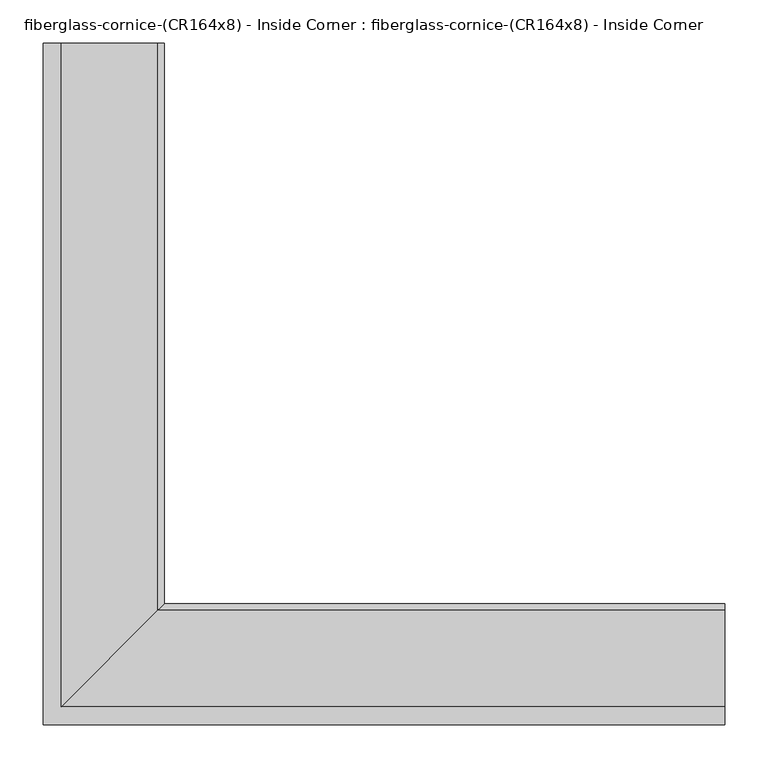
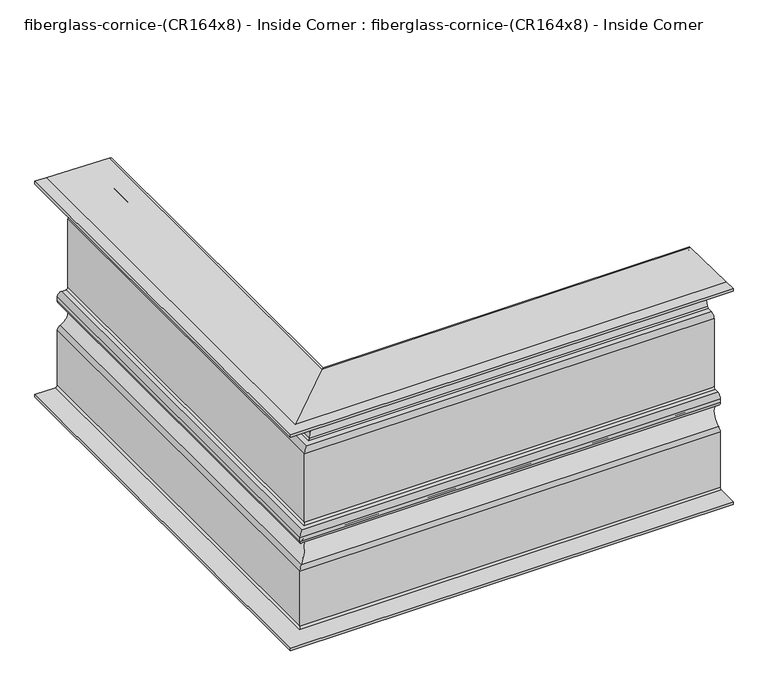
"""IFC4 building model written with IfcOpenShell, lengths in millimetres: furniture geometry, fiberglass-cornice-(CR164x8) - Inside Corner : fiberglass-cornice-(CR164x8) - Inside Corner."""

from ifc_helpers import new_model, si_unit, frame, origin, place, context, project, spatial, polyline, circle_curve, ellipse_curve, source, transform, mapped, element, save
from ifc_brep_helpers import plane_surface, cylinder_surface, revolved_surface, advanced_brep


def fiberglass_cornice_cr164x8_inside_corner_fiberglass_cornice_1a1fa2d7(model_context):
    return source(origin(), model_context, "Body", "AdvancedBrep", [
        advanced_brep(
        [(-372.85953, 888.603125, 330.1999904), (-261.73453, 888.603125, 327.3575667), (-253.9999938, 888.603125, 319.422662), (-253.9999938, 888.603125, 309.7707122), (-261.9374938, 888.603125, 301.8332122), (-279.3999938, 888.603125, 301.8332122), (-279.3999938, 888.603125, 292.3082122), (-295.2749938, 888.603125, 266.9082122), (-310.1676354, 888.603125, 247.415911), (-317.8412143, 888.603125, 241.5082122), (-327.0249938, 888.603125, 241.5082122), (-330.1999938, 888.603125, 238.3332122), (-330.1999938, 888.603125, 109.7457122), (-338.1374938, 888.603125, 101.8082122), (-346.0749938, 888.603125, 101.8082122), (-349.2499938, 888.603125, 98.6332122), (-349.2499938, 888.603125, 91.4209842), (-347.169605, 888.603125, 88.44064), (-347.169605, 888.603125, 38.9757844), (-349.2499938, 888.603125, 35.9954402), (-349.2499938, 888.603125, -68.0542878), (-357.1874938, 888.603125, -75.9917878), (-393.6999938, 888.603125, -75.9917878), (-393.6999938, 888.603125, -71.2292878), (-357.1874938, 888.603125, -71.2292878), (-354.0124938, 888.603125, -68.0542878), (-354.0124938, 888.603125, 35.9954402), (-348.8115218, 888.603125, 43.4463007), (-348.8115218, 888.603125, 83.9701238), (-354.0124938, 888.603125, 91.4209842), (-354.0124938, 888.603125, 98.6332122), (-346.0749938, 888.603125, 106.5707122), (-338.1374938, 888.603125, 106.5707122), (-334.9624938, 888.603125, 109.7457122), (-334.9624938, 888.603125, 238.3332122), (-327.0249938, 888.603125, 246.2707122), (-317.8412143, 888.603125, 246.2707122), (-314.7717827, 888.603125, 248.6337917), (-297.6601898, 888.603125, 271.0303775), (-285.901633, 888.603125, 304.3559613), (-283.6618821, 888.603125, 306.5957122), (-261.9374938, 888.603125, 306.5957122), (-258.7624938, 888.603125, 309.7707122), (-258.7624938, 888.603125, 319.422662), (-261.8563083, 888.603125, 322.5966239), (-372.9813083, 888.603125, 325.4390476), (-393.6999938, 888.603125, 325.4390476), (-393.6999938, 888.603125, 330.1999904), (393.6999938, 122.0435889, 330.1999904), (393.6999938, 101.203125, 330.1999904), (393.6999938, 101.203125, 325.4390476), (393.6999938, 121.9218106, 325.4390476), (393.6999938, 233.0468106, 322.5966239), (393.6999938, 236.140625, 319.422662), (393.6999938, 236.140625, 309.7707122), (393.6999938, 232.965625, 306.5957122), (393.6999938, 211.2412367, 306.5957122), (393.6999938, 209.0014858, 304.3559613), (393.6999938, 197.242929, 271.0303775), (393.6999938, 180.1313361, 248.6337917), (393.6999938, 177.0619046, 246.2707122), (393.6999938, 167.878125, 246.2707122), (393.6999938, 159.940625, 238.3332122), (393.6999938, 159.940625, 109.7457122), (393.6999938, 156.765625, 106.5707122), (393.6999938, 148.828125, 106.5707122), (393.6999938, 140.890625, 98.6332122), (393.6999938, 140.890625, 91.4209842), (393.6999938, 146.091597, 83.9701238), (393.6999938, 146.091597, 43.4463007), (393.6999938, 140.890625, 35.9954402), (393.6999938, 140.890625, -68.0542878), (393.6999938, 137.715625, -71.2292878), (393.6999938, 101.203125, -71.2292878), (393.6999938, 101.203125, -75.9917878), (393.6999938, 137.715625, -75.9917878), (393.6999938, 145.653125, -68.0542878), (393.6999938, 145.653125, 35.9954402), (393.6999938, 147.7335138, 38.9757844), (393.6999938, 147.7335138, 88.44064), (393.6999938, 145.653125, 91.4209842), (393.6999938, 145.653125, 98.6332122), (393.6999938, 148.828125, 101.8082122), (393.6999938, 156.765625, 101.8082122), (393.6999938, 164.703125, 109.7457122), (393.6999938, 164.703125, 238.3332122), (393.6999938, 167.878125, 241.5082122), (393.6999938, 177.0619046, 241.5082122), (393.6999938, 184.7354835, 247.415911), (393.6999938, 199.628125, 266.9082122), (393.6999938, 215.503125, 292.3082122), (393.6999938, 215.503125, 301.8332122), (393.6999938, 232.965625, 301.8332122), (393.6999938, 240.903125, 309.7707122), (393.6999938, 240.903125, 319.422662), (393.6999938, 233.1685889, 327.3575667), (-372.85953, 122.0435889, 330.1999904), (-261.73453, 233.1685889, 327.3575667), (-253.9999938, 240.903125, 319.422662), (-253.9999938, 240.903125, 309.7707122), (-261.9374938, 232.965625, 301.8332122), (-279.3999938, 215.503125, 301.8332122), (-279.3999938, 215.503125, 292.3082122), (-295.2749938, 199.628125, 266.9082122), (-310.1676354, 184.7354835, 247.415911), (-317.8412143, 177.0619046, 241.5082122), (-327.0249938, 167.878125, 241.5082122), (-330.1999938, 164.703125, 238.3332122), (-330.1999938, 164.703125, 109.7457122), (-338.1374938, 156.765625, 101.8082122), (-346.0749938, 148.828125, 101.8082122), (-349.2499938, 145.653125, 98.6332122), (-349.2499938, 145.653125, 91.4209842), (-347.169605, 147.7335138, 88.44064), (-347.169605, 147.7335138, 38.9757844), (-349.2499938, 145.653125, 35.9954402), (-349.2499938, 145.653125, -68.0542878), (-357.1874938, 137.715625, -75.9917878), (-393.6999938, 101.203125, -75.9917878), (-393.6999938, 101.203125, -71.2292878), (-357.1874938, 137.715625, -71.2292878), (-354.0124938, 140.890625, -68.0542878), (-354.0124938, 140.890625, 35.9954402), (-348.8115218, 146.091597, 43.4463007), (-348.8115218, 146.091597, 83.9701238), (-354.0124938, 140.890625, 91.4209842), (-354.0124938, 140.890625, 98.6332122), (-346.0749938, 148.828125, 106.5707122), (-338.1374938, 156.765625, 106.5707122), (-334.9624938, 159.940625, 109.7457122), (-334.9624938, 159.940625, 238.3332122), (-327.0249938, 167.878125, 246.2707122), (-317.8412143, 177.0619046, 246.2707122), (-314.7717827, 180.1313361, 248.6337917), (-297.6601898, 197.242929, 271.0303775), (-285.901633, 209.0014858, 304.3559613), (-283.6618821, 211.2412367, 306.5957122), (-261.9374938, 232.965625, 306.5957122), (-258.7624938, 236.140625, 309.7707122), (-258.7624938, 236.140625, 319.422662), (-261.8563083, 233.0468106, 322.5966239), (-372.9813083, 121.9218106, 325.4390476), (-393.6999938, 101.203125, 325.4390476), (-393.6999938, 101.203125, 330.1999904)],
        [
            (0, 1),
            (1, 2, circle_curve(frame((-261.9374938, 888.603125, 319.422662), z_axis=(0.0, 1.0, 0.0), x_axis=(1.0, 0.0, 0.0)), 7.9375)),
            (2, 3),
            (3, 4, circle_curve(frame((-261.9374938, 888.603125, 309.7707122), z_axis=(0.0, 1.0, 0.0), x_axis=(1.0, 0.0, 0.0)), 7.9375)),
            (4, 5),
            (5, 6, circle_curve(frame((-279.3999938, 888.603125, 297.0707122), z_axis=(0.0, 1.0, 0.0), x_axis=(1.0, 0.0, 0.0)), 4.7625)),
            (6, 7, circle_curve(frame((-311.2833971, 888.603125, 294.5744018), z_axis=(0.0, 1.0, 0.0), x_axis=(1.0, 0.0, 0.0)), 31.9638393)),
            (7, 8, circle_curve(frame((-279.2665906, 888.603125, 239.2420227), z_axis=(0.0, -1.0, 0.0), x_axis=(1.0, 0.0, 0.0)), 31.9638393)),
            (8, 9, circle_curve(frame((-317.8412143, 888.603125, 249.4457122), z_axis=(0.0, 1.0, 0.0), x_axis=(1.0, 0.0, 0.0)), 7.9375)),
            (9, 10),
            (10, 11, circle_curve(frame((-327.0249938, 888.603125, 238.3332122), z_axis=(0.0, -1.0, 0.0), x_axis=(1.0, 0.0, 0.0)), 3.175)),
            (11, 12),
            (12, 13, circle_curve(frame((-338.1374938, 888.603125, 109.7457122), z_axis=(0.0, 1.0, 0.0), x_axis=(1.0, 0.0, 0.0)), 7.9375)),
            (13, 14),
            (14, 15, circle_curve(frame((-346.0749938, 888.603125, 98.6332122), z_axis=(0.0, -1.0, 0.0), x_axis=(1.0, 0.0, 0.0)), 3.175)),
            (15, 16),
            (16, 17, circle_curve(frame((-346.0749938, 888.603125, 91.4209842), z_axis=(0.0, -1.0, 0.0), x_axis=(1.0, 0.0, 0.0)), 3.175)),
            (17, 18, circle_curve(frame((-356.2532512, 888.603125, 63.7082122), z_axis=(0.0, 1.0, 0.0), x_axis=(1.0, 0.0, 0.0)), 26.347782)),
            (18, 19, circle_curve(frame((-346.0749938, 888.603125, 35.9954402), z_axis=(0.0, -1.0, 0.0), x_axis=(1.0, 0.0, 0.0)), 3.175)),
            (19, 20),
            (20, 21, circle_curve(frame((-357.1874938, 888.603125, -68.0542878), z_axis=(0.0, 1.0, 0.0), x_axis=(1.0, 0.0, 0.0)), 7.9375)),
            (21, 22),
            (22, 23),
            (23, 24),
            (24, 25, circle_curve(frame((-357.1874938, 888.603125, -68.0542878), z_axis=(0.0, -1.0, 0.0), x_axis=(1.0, 0.0, 0.0)), 3.175)),
            (25, 26),
            (26, 27, circle_curve(frame((-346.0749938, 888.603125, 35.9954402), z_axis=(0.0, 1.0, 0.0), x_axis=(1.0, 0.0, 0.0)), 7.9375)),
            (27, 28, circle_curve(frame((-356.2532512, 888.603125, 63.7082122), z_axis=(0.0, -1.0, 0.0), x_axis=(1.0, 0.0, 0.0)), 21.585282)),
            (28, 29, circle_curve(frame((-346.0749938, 888.603125, 91.4209842), z_axis=(0.0, 1.0, 0.0), x_axis=(1.0, 0.0, 0.0)), 7.9375)),
            (29, 30),
            (30, 31, circle_curve(frame((-346.0749938, 888.603125, 98.6332122), z_axis=(0.0, 1.0, 0.0), x_axis=(1.0, 0.0, 0.0)), 7.9375)),
            (31, 32),
            (32, 33, circle_curve(frame((-338.1374938, 888.603125, 109.7457122), z_axis=(0.0, -1.0, 0.0), x_axis=(1.0, 0.0, 0.0)), 3.175)),
            (33, 34),
            (34, 35, circle_curve(frame((-327.0249938, 888.603125, 238.3332122), z_axis=(0.0, 1.0, 0.0), x_axis=(1.0, 0.0, 0.0)), 7.9375)),
            (35, 36),
            (36, 37, circle_curve(frame((-317.8412143, 888.603125, 249.4457122), z_axis=(0.0, -1.0, 0.0), x_axis=(1.0, 0.0, 0.0)), 3.175)),
            (37, 38, circle_curve(frame((-279.2665906, 888.603125, 239.2420227), z_axis=(0.0, 1.0, 0.0), x_axis=(1.0, 0.0, 0.0)), 36.7263393)),
            (38, 39, circle_curve(frame((-311.2833971, 888.603125, 294.5744018), z_axis=(0.0, -1.0, 0.0), x_axis=(1.0, 0.0, 0.0)), 27.2013393)),
            (39, 40, circle_curve(frame((-283.6618821, 888.603125, 304.3559613), z_axis=(0.0, 1.0, 0.0), x_axis=(1.0, 0.0, 0.0)), 2.2397509)),
            (40, 41),
            (41, 42, circle_curve(frame((-261.9374938, 888.603125, 309.7707122), z_axis=(0.0, -1.0, 0.0), x_axis=(1.0, 0.0, 0.0)), 3.175)),
            (42, 43),
            (43, 44, circle_curve(frame((-261.9374938, 888.603125, 319.422662), z_axis=(0.0, -1.0, 0.0), x_axis=(1.0, 0.0, 0.0)), 3.175)),
            (44, 45),
            (45, 46),
            (46, 47),
            (47, 0),
            (48, 49),
            (49, 50),
            (50, 51),
            (51, 52),
            (52, 53, circle_curve(frame((393.6999938, 232.965625, 319.422662), z_axis=(-1.0, 0.0, 0.0), x_axis=(0.0, 1.0, 0.0)), 3.175)),
            (53, 54),
            (54, 55, circle_curve(frame((393.6999938, 232.965625, 309.7707122), z_axis=(-1.0, 0.0, 0.0), x_axis=(0.0, 1.0, 0.0)), 3.175)),
            (55, 56),
            (56, 57, circle_curve(frame((393.6999938, 211.2412367, 304.3559613), z_axis=(1.0, 0.0, 0.0), x_axis=(0.0, 1.0, 0.0)), 2.2397509)),
            (57, 58, circle_curve(frame((393.6999938, 183.6197217, 294.5744018), z_axis=(-1.0, 0.0, 0.0), x_axis=(0.0, 1.0, 0.0)), 27.2013393)),
            (58, 59, circle_curve(frame((393.6999938, 215.6365283, 239.2420227), z_axis=(1.0, 0.0, 0.0), x_axis=(0.0, 1.0, 0.0)), 36.7263393)),
            (59, 60, circle_curve(frame((393.6999938, 177.0619046, 249.4457122), z_axis=(-1.0, 0.0, 0.0), x_axis=(0.0, 1.0, 0.0)), 3.175)),
            (60, 61),
            (61, 62, circle_curve(frame((393.6999938, 167.878125, 238.3332122), z_axis=(1.0, 0.0, 0.0), x_axis=(0.0, 1.0, 0.0)), 7.9375)),
            (62, 63),
            (63, 64, circle_curve(frame((393.6999938, 156.765625, 109.7457122), z_axis=(-1.0, 0.0, 0.0), x_axis=(0.0, 1.0, 0.0)), 3.175)),
            (64, 65),
            (65, 66, circle_curve(frame((393.6999938, 148.828125, 98.6332122), z_axis=(1.0, 0.0, 0.0), x_axis=(0.0, 1.0, 0.0)), 7.9375)),
            (66, 67),
            (67, 68, circle_curve(frame((393.6999938, 148.828125, 91.4209842), z_axis=(1.0, 0.0, 0.0), x_axis=(0.0, 1.0, 0.0)), 7.9375)),
            (68, 69, circle_curve(frame((393.6999938, 138.6498676, 63.7082122), z_axis=(-1.0, 0.0, 0.0), x_axis=(0.0, 1.0, 0.0)), 21.585282)),
            (69, 70, circle_curve(frame((393.6999938, 148.828125, 35.9954402), z_axis=(1.0, 0.0, 0.0), x_axis=(0.0, 1.0, 0.0)), 7.9375)),
            (70, 71),
            (71, 72, circle_curve(frame((393.6999938, 137.715625, -68.0542878), z_axis=(-1.0, 0.0, 0.0), x_axis=(0.0, 1.0, 0.0)), 3.175)),
            (72, 73),
            (73, 74),
            (74, 75),
            (75, 76, circle_curve(frame((393.6999938, 137.715625, -68.0542878), z_axis=(1.0, 0.0, 0.0), x_axis=(0.0, 1.0, 0.0)), 7.9375)),
            (76, 77),
            (77, 78, circle_curve(frame((393.6999938, 148.828125, 35.9954402), z_axis=(-1.0, 0.0, 0.0), x_axis=(0.0, 1.0, 0.0)), 3.175)),
            (78, 79, circle_curve(frame((393.6999938, 138.6498676, 63.7082122), z_axis=(1.0, 0.0, 0.0), x_axis=(0.0, 1.0, 0.0)), 26.347782)),
            (79, 80, circle_curve(frame((393.6999938, 148.828125, 91.4209842), z_axis=(-1.0, 0.0, 0.0), x_axis=(0.0, 1.0, 0.0)), 3.175)),
            (80, 81),
            (81, 82, circle_curve(frame((393.6999938, 148.828125, 98.6332122), z_axis=(-1.0, 0.0, 0.0), x_axis=(0.0, 1.0, 0.0)), 3.175)),
            (82, 83),
            (83, 84, circle_curve(frame((393.6999938, 156.765625, 109.7457122), z_axis=(1.0, 0.0, 0.0), x_axis=(0.0, 1.0, 0.0)), 7.9375)),
            (84, 85),
            (85, 86, circle_curve(frame((393.6999938, 167.878125, 238.3332122), z_axis=(-1.0, 0.0, 0.0), x_axis=(0.0, 1.0, 0.0)), 3.175)),
            (86, 87),
            (87, 88, circle_curve(frame((393.6999938, 177.0619046, 249.4457122), z_axis=(1.0, 0.0, 0.0), x_axis=(0.0, 1.0, 0.0)), 7.9375)),
            (88, 89, circle_curve(frame((393.6999938, 215.6365283, 239.2420227), z_axis=(-1.0, 0.0, 0.0), x_axis=(0.0, 1.0, 0.0)), 31.9638393)),
            (89, 90, circle_curve(frame((393.6999938, 183.6197217, 294.5744018), z_axis=(1.0, 0.0, 0.0), x_axis=(0.0, 1.0, 0.0)), 31.9638393)),
            (90, 91, circle_curve(frame((393.6999938, 215.503125, 297.0707122), z_axis=(1.0, 0.0, 0.0), x_axis=(0.0, 1.0, 0.0)), 4.7625)),
            (91, 92),
            (92, 93, circle_curve(frame((393.6999938, 232.965625, 309.7707122), z_axis=(1.0, 0.0, 0.0), x_axis=(0.0, 1.0, 0.0)), 7.9375)),
            (93, 94),
            (94, 95, circle_curve(frame((393.6999938, 232.965625, 319.422662), z_axis=(1.0, 0.0, 0.0), x_axis=(0.0, 1.0, 0.0)), 7.9375)),
            (95, 48),
            (0, 96),
            (96, 97),
            (97, 1),
            (97, 98, ellipse_curve(frame((-261.9374938, 232.965625, 319.422662), z_axis=(-0.7071067811865475, 0.7071067811865475, 0.0), x_axis=(0.7071067811865474, 0.7071067811865476, 0.0)), 11.2253202, 7.9375)),
            (98, 2),
            (98, 99),
            (99, 3),
            (99, 100, ellipse_curve(frame((-261.9374938, 232.965625, 309.7707122), z_axis=(-0.7071067811865475, 0.7071067811865475, 0.0), x_axis=(0.7071067811865474, 0.7071067811865476, 0.0)), 11.2253202, 7.9375)),
            (100, 4),
            (100, 92),
            (91, 101),
            (101, 5),
            (101, 102, ellipse_curve(frame((-279.3999938, 215.503125, 297.0707122), z_axis=(-0.7071067811865475, 0.7071067811865475, 0.0), x_axis=(0.7071067811865474, 0.7071067811865476, 0.0)), 6.7351921, 4.7625)),
            (102, 6),
            (102, 103, ellipse_curve(frame((-311.2833971, 183.6197217, 294.5744018), z_axis=(-0.7071067811865475, 0.7071067811865475, 0.0), x_axis=(0.7071067811865474, 0.7071067811865476, 0.0)), 45.203695, 31.9638393)),
            (103, 7),
            (103, 104, ellipse_curve(frame((-279.2665906, 215.6365283, 239.2420227), z_axis=(0.7071067811865475, -0.7071067811865475, 0.0), x_axis=(-0.7071067811865474, -0.7071067811865476, 0.0)), 45.203695, 31.9638393)),
            (104, 8),
            (104, 105, ellipse_curve(frame((-317.8412143, 177.0619046, 249.4457122), z_axis=(-0.7071067811865475, 0.7071067811865475, 0.0), x_axis=(0.7071067811865474, 0.7071067811865476, 0.0)), 11.2253202, 7.9375)),
            (105, 9),
            (105, 87),
            (86, 106),
            (106, 10),
            (106, 107, ellipse_curve(frame((-327.0249938, 167.878125, 238.3332122), z_axis=(0.7071067811865475, -0.7071067811865475, 0.0), x_axis=(-0.7071067811865474, -0.7071067811865476, 0.0)), 4.4901281, 3.175)),
            (107, 11),
            (107, 108),
            (108, 12),
            (108, 109, ellipse_curve(frame((-338.1374938, 156.765625, 109.7457122), z_axis=(-0.7071067811865475, 0.7071067811865475, 0.0), x_axis=(0.7071067811865474, 0.7071067811865476, 0.0)), 11.2253202, 7.9375)),
            (109, 13),
            (109, 83),
            (82, 110),
            (110, 14),
            (110, 111, ellipse_curve(frame((-346.0749938, 148.828125, 98.6332122), z_axis=(0.7071067811865475, -0.7071067811865475, 0.0), x_axis=(-0.7071067811865474, -0.7071067811865476, 0.0)), 4.4901281, 3.175)),
            (111, 15),
            (111, 112),
            (112, 16),
            (112, 113, ellipse_curve(frame((-346.0749938, 148.828125, 91.4209842), z_axis=(0.7071067811865475, -0.7071067811865475, 0.0), x_axis=(-0.7071067811865474, -0.7071067811865476, 0.0)), 4.4901281, 3.175)),
            (113, 17),
            (113, 114, ellipse_curve(frame((-356.2532512, 138.6498676, 63.7082122), z_axis=(-0.7071067811865475, 0.7071067811865475, 0.0), x_axis=(0.7071067811865474, 0.7071067811865476, 0.0)), 37.2613906, 26.347782)),
            (114, 18),
            (114, 115, ellipse_curve(frame((-346.0749938, 148.828125, 35.9954402), z_axis=(0.7071067811865475, -0.7071067811865475, 0.0), x_axis=(-0.7071067811865474, -0.7071067811865476, 0.0)), 4.4901281, 3.175)),
            (115, 19),
            (115, 116),
            (116, 20),
            (116, 117, ellipse_curve(frame((-357.1874938, 137.715625, -68.0542878), z_axis=(-0.7071067811865475, 0.7071067811865475, 0.0), x_axis=(0.7071067811865474, 0.7071067811865476, 0.0)), 11.2253202, 7.9375)),
            (117, 21),
            (117, 75),
            (74, 118),
            (118, 22),
            (118, 119),
            (119, 23),
            (119, 73),
            (72, 120),
            (120, 24),
            (120, 121, ellipse_curve(frame((-357.1874938, 137.715625, -68.0542878), z_axis=(0.7071067811865475, -0.7071067811865475, 0.0), x_axis=(-0.7071067811865474, -0.7071067811865476, 0.0)), 4.4901281, 3.175)),
            (121, 25),
            (121, 122),
            (122, 26),
            (122, 123, ellipse_curve(frame((-346.0749938, 148.828125, 35.9954402), z_axis=(-0.7071067811865475, 0.7071067811865475, 0.0), x_axis=(0.7071067811865474, 0.7071067811865476, 0.0)), 11.2253202, 7.9375)),
            (123, 27),
            (123, 124, ellipse_curve(frame((-356.2532512, 138.6498676, 63.7082122), z_axis=(0.7071067811865475, -0.7071067811865475, 0.0), x_axis=(-0.7071067811865474, -0.7071067811865476, 0.0)), 30.5261985, 21.585282)),
            (124, 28),
            (124, 125, ellipse_curve(frame((-346.0749938, 148.828125, 91.4209842), z_axis=(-0.7071067811865475, 0.7071067811865475, 0.0), x_axis=(0.7071067811865474, 0.7071067811865476, 0.0)), 11.2253202, 7.9375)),
            (125, 29),
            (125, 126),
            (126, 30),
            (126, 127, ellipse_curve(frame((-346.0749938, 148.828125, 98.6332122), z_axis=(-0.7071067811865475, 0.7071067811865475, 0.0), x_axis=(0.7071067811865474, 0.7071067811865476, 0.0)), 11.2253202, 7.9375)),
            (127, 31),
            (127, 65),
            (64, 128),
            (128, 32),
            (128, 129, ellipse_curve(frame((-338.1374938, 156.765625, 109.7457122), z_axis=(0.7071067811865475, -0.7071067811865475, 0.0), x_axis=(-0.7071067811865474, -0.7071067811865476, 0.0)), 4.4901281, 3.175)),
            (129, 33),
            (129, 130),
            (130, 34),
            (130, 131, ellipse_curve(frame((-327.0249938, 167.878125, 238.3332122), z_axis=(-0.7071067811865475, 0.7071067811865475, 0.0), x_axis=(0.7071067811865474, 0.7071067811865476, 0.0)), 11.2253202, 7.9375)),
            (131, 35),
            (131, 61),
            (60, 132),
            (132, 36),
            (132, 133, ellipse_curve(frame((-317.8412143, 177.0619046, 249.4457122), z_axis=(0.7071067811865475, -0.7071067811865475, 0.0), x_axis=(-0.7071067811865474, -0.7071067811865476, 0.0)), 4.4901281, 3.175)),
            (133, 37),
            (133, 134, ellipse_curve(frame((-279.2665906, 215.6365283, 239.2420227), z_axis=(-0.7071067811865475, 0.7071067811865475, 0.0), x_axis=(0.7071067811865474, 0.7071067811865476, 0.0)), 51.9388871, 36.7263393)),
            (134, 38),
            (134, 135, ellipse_curve(frame((-311.2833971, 183.6197217, 294.5744018), z_axis=(0.7071067811865475, -0.7071067811865475, 0.0), x_axis=(-0.7071067811865474, -0.7071067811865476, 0.0)), 38.4685029, 27.2013393)),
            (135, 39),
            (135, 136, ellipse_curve(frame((-283.6618821, 211.2412367, 304.3559613), z_axis=(-0.7071067811865475, 0.7071067811865475, 0.0), x_axis=(0.7071067811865474, 0.7071067811865476, 0.0)), 3.1674861, 2.2397509)),
            (136, 40),
            (136, 56),
            (55, 137),
            (137, 41),
            (137, 138, ellipse_curve(frame((-261.9374938, 232.965625, 309.7707122), z_axis=(0.7071067811865475, -0.7071067811865475, 0.0), x_axis=(-0.7071067811865474, -0.7071067811865476, 0.0)), 4.4901281, 3.175)),
            (138, 42),
            (138, 139),
            (139, 43),
            (139, 140, ellipse_curve(frame((-261.9374938, 232.965625, 319.422662), z_axis=(0.7071067811865475, -0.7071067811865475, 0.0), x_axis=(-0.7071067811865474, -0.7071067811865476, 0.0)), 4.4901281, 3.175)),
            (140, 44),
            (140, 141),
            (141, 45),
            (141, 51),
            (50, 142),
            (142, 46),
            (142, 143),
            (143, 47),
            (143, 49),
            (48, 96),
            (95, 97),
            (94, 98),
            (93, 99),
            (90, 102),
            (89, 103),
            (88, 104),
            (85, 107),
            (84, 108),
            (81, 111),
            (80, 112),
            (79, 113),
            (78, 114),
            (77, 115),
            (76, 116),
            (71, 121),
            (70, 122),
            (69, 123),
            (68, 124),
            (67, 125),
            (66, 126),
            (63, 129),
            (62, 130),
            (59, 133),
            (58, 134),
            (57, 135),
            (54, 138),
            (53, 139),
            (52, 140),
        ],
        [
            plane_surface(frame((-393.6999938, 888.603125, 330.1999904), z_axis=(0.0, 1.0, 0.0), x_axis=(0.0, 0.0, 1.0))),
            plane_surface(frame((393.6999938, 101.203125, 330.1999904), z_axis=(1.0, 0.0, 0.0), x_axis=(0.0, 0.0, 1.0))),
            plane_surface(frame((-372.85953, 888.603125, 330.1999904), z_axis=(0.02557025298395514, 0.0, 0.9996730276257015), x_axis=(0.0, -1.0, 0.0))),
            cylinder_surface(frame((-261.9374938, 888.603125, 319.422662), z_axis=(0.0, 1.0, 0.0), x_axis=(1.0, 0.0, 0.0)), 7.9375),
            plane_surface(frame((-253.9999938, 888.603125, 319.422662), z_axis=(1.0, 0.0, 0.0), x_axis=(0.0, -1.0, 0.0))),
            cylinder_surface(frame((-261.9374938, 888.603125, 309.7707122), z_axis=(0.0, 1.0, 0.0), x_axis=(1.0, 0.0, 0.0)), 7.9375),
            plane_surface(frame((-261.9374938, 888.603125, 301.8332122), z_axis=(0.0, 0.0, -1.0), x_axis=(0.0, -1.0, 0.0))),
            cylinder_surface(frame((-279.3999938, 888.603125, 297.0707122), z_axis=(0.0, 1.0, 0.0), x_axis=(1.0, 0.0, 0.0)), 4.7625),
            cylinder_surface(frame((-311.2833971, 888.603125, 294.5744018), z_axis=(0.0, 1.0, 0.0), x_axis=(1.0, 0.0, 0.0)), 31.9638393),
            revolved_surface(polyline([(-247.30275129999998, 183.67268903081163, 239.2420227), (-247.30275129999998, 888.603125, 239.2420227)]), (-279.2665906, 888.603125, 239.2420227), (0.0, -1.0, 0.0)),
            cylinder_surface(frame((-317.8412143, 888.603125, 249.4457122), z_axis=(0.0, 1.0, 0.0), x_axis=(1.0, 0.0, 0.0)), 7.9375),
            plane_surface(frame((-317.8412143, 888.603125, 241.5082122), z_axis=(0.0, 0.0, -1.0), x_axis=(0.0, -1.0, 0.0))),
            revolved_surface(polyline([(-323.8499938, 164.70312497209375, 238.3332122), (-323.8499938, 888.603125, 238.3332122)]), (-327.0249938, 888.603125, 238.3332122), (0.0, -1.0, 0.0)),
            plane_surface(frame((-330.1999938, 888.603125, 238.3332122), z_axis=(1.0, 0.0, 0.0), x_axis=(0.0, -1.0, 0.0))),
            cylinder_surface(frame((-338.1374938, 888.603125, 109.7457122), z_axis=(0.0, 1.0, 0.0), x_axis=(1.0, 0.0, 0.0)), 7.9375),
            plane_surface(frame((-338.1374938, 888.603125, 101.8082122), z_axis=(0.0, 0.0, -1.0), x_axis=(0.0, -1.0, 0.0))),
            revolved_surface(polyline([(-342.8999938, 145.65312497209368, 98.6332122), (-342.8999938, 888.603125, 98.6332122)]), (-346.0749938, 888.603125, 98.6332122), (0.0, -1.0, 0.0)),
            plane_surface(frame((-349.2499938, 888.603125, 98.6332122), z_axis=(1.0, 0.0, 0.0), x_axis=(0.0, -1.0, 0.0))),
            revolved_surface(polyline([(-342.8999938, 145.65312497209368, 91.4209842), (-342.8999938, 888.603125, 91.4209842)]), (-346.0749938, 888.603125, 91.4209842), (0.0, -1.0, 0.0)),
            cylinder_surface(frame((-356.2532512, 888.603125, 63.7082122), z_axis=(0.0, 1.0, 0.0), x_axis=(1.0, 0.0, 0.0)), 26.347782),
            revolved_surface(polyline([(-342.8999938, 145.65312497209368, 35.9954402), (-342.8999938, 888.603125, 35.9954402)]), (-346.0749938, 888.603125, 35.9954402), (0.0, -1.0, 0.0)),
            plane_surface(frame((-349.2499938, 888.603125, 35.9954402), z_axis=(1.0, 0.0, 0.0), x_axis=(0.0, -1.0, 0.0))),
            cylinder_surface(frame((-357.1874938, 888.603125, -68.0542878), z_axis=(0.0, 1.0, 0.0), x_axis=(1.0, 0.0, 0.0)), 7.9375),
            plane_surface(frame((-357.1874938, 888.603125, -75.9917878), z_axis=(0.0, 0.0, -1.0), x_axis=(0.0, -1.0, 0.0))),
            plane_surface(frame((-393.6999938, 888.603125, -75.9917878), z_axis=(-1.0, 0.0, 0.0), x_axis=(0.0, -1.0, 0.0))),
            plane_surface(frame((-393.6999938, 888.603125, -71.2292878), z_axis=(0.0, 0.0, 1.0), x_axis=(0.0, -1.0, 0.0))),
            revolved_surface(polyline([(-354.0124938, 134.5406249720936, -68.0542878), (-354.0124938, 888.603125, -68.0542878)]), (-357.1874938, 888.603125, -68.0542878), (0.0, -1.0, 0.0)),
            plane_surface(frame((-354.0124938, 888.603125, -68.0542878), z_axis=(-1.0, 0.0, 0.0), x_axis=(0.0, -1.0, 0.0))),
            cylinder_surface(frame((-346.0749938, 888.603125, 35.9954402), z_axis=(0.0, 1.0, 0.0), x_axis=(1.0, 0.0, 0.0)), 7.9375),
            revolved_surface(polyline([(-334.6679692, 117.06458563680337, 63.7082122), (-334.6679692, 888.603125, 63.7082122)]), (-356.2532512, 888.603125, 63.7082122), (0.0, -1.0, 0.0)),
            cylinder_surface(frame((-346.0749938, 888.603125, 91.4209842), z_axis=(0.0, 1.0, 0.0), x_axis=(1.0, 0.0, 0.0)), 7.9375),
            plane_surface(frame((-354.0124938, 888.603125, 91.4209842), z_axis=(-1.0, 0.0, 0.0), x_axis=(0.0, -1.0, 0.0))),
            cylinder_surface(frame((-346.0749938, 888.603125, 98.6332122), z_axis=(0.0, 1.0, 0.0), x_axis=(1.0, 0.0, 0.0)), 7.9375),
            plane_surface(frame((-346.0749938, 888.603125, 106.5707122), z_axis=(0.0, 0.0, 1.0), x_axis=(0.0, -1.0, 0.0))),
            revolved_surface(polyline([(-334.9624938, 153.59062497209368, 109.7457122), (-334.9624938, 888.603125, 109.7457122)]), (-338.1374938, 888.603125, 109.7457122), (0.0, -1.0, 0.0)),
            plane_surface(frame((-334.9624938, 888.603125, 109.7457122), z_axis=(-1.0, 0.0, 0.0), x_axis=(0.0, -1.0, 0.0))),
            cylinder_surface(frame((-327.0249938, 888.603125, 238.3332122), z_axis=(0.0, 1.0, 0.0), x_axis=(1.0, 0.0, 0.0)), 7.9375),
            plane_surface(frame((-327.0249938, 888.603125, 246.2707122), z_axis=(0.0, 0.0, 1.0), x_axis=(0.0, -1.0, 0.0))),
            revolved_surface(polyline([(-314.6662143, 173.88690457209373, 249.4457122), (-314.6662143, 888.603125, 249.4457122)]), (-317.8412143, 888.603125, 249.4457122), (0.0, -1.0, 0.0)),
            cylinder_surface(frame((-279.2665906, 888.603125, 239.2420227), z_axis=(0.0, 1.0, 0.0), x_axis=(1.0, 0.0, 0.0)), 36.7263393),
            revolved_surface(polyline([(-284.08205780000003, 156.4183824373157, 294.5744018), (-284.08205780000003, 888.603125, 294.5744018)]), (-311.2833971, 888.603125, 294.5744018), (0.0, -1.0, 0.0)),
            cylinder_surface(frame((-283.6618821, 888.603125, 304.3559613), z_axis=(0.0, 1.0, 0.0), x_axis=(1.0, 0.0, 0.0)), 2.2397509),
            plane_surface(frame((-283.6618821, 888.603125, 306.5957122), z_axis=(0.0, 0.0, 1.0), x_axis=(0.0, -1.0, 0.0))),
            revolved_surface(polyline([(-258.7624938, 229.7906249720936, 309.7707122), (-258.7624938, 888.603125, 309.7707122)]), (-261.9374938, 888.603125, 309.7707122), (0.0, -1.0, 0.0)),
            plane_surface(frame((-258.7624938, 888.603125, 309.7707122), z_axis=(-1.0, 0.0, 0.0), x_axis=(0.0, -1.0, 0.0))),
            revolved_surface(polyline([(-258.7624938, 229.7906249720936, 319.422662), (-258.7624938, 888.603125, 319.422662)]), (-261.9374938, 888.603125, 319.422662), (0.0, -1.0, 0.0)),
            plane_surface(frame((-261.8563083, 888.603125, 322.5966239), z_axis=(-0.02557025298397136, 0.0, -0.9996730276257011), x_axis=(0.0, -1.0, 0.0))),
            plane_surface(frame((-372.9813083, 888.603125, 325.4390476), z_axis=(0.0, 0.0, -1.0), x_axis=(0.0, -1.0, 0.0))),
            plane_surface(frame((-393.6999938, 888.603125, 325.4390476), z_axis=(-1.0, 0.0, 0.0), x_axis=(0.0, -1.0, 0.0))),
            plane_surface(frame((-393.6999938, 888.603125, 330.1999904), z_axis=(0.0, 0.0, 1.0), x_axis=(0.0, -1.0, 0.0))),
            plane_surface(frame((-372.85953, 122.0435889, 330.1999904), z_axis=(0.0, 0.02557025298395514, 0.9996730276257015), x_axis=(1.0, 0.0, 0.0))),
            cylinder_surface(frame((-393.6999938, 232.965625, 319.422662), z_axis=(-1.0, 0.0, 0.0), x_axis=(0.0, 1.0, 0.0)), 7.9375),
            plane_surface(frame((-253.9999938, 240.903125, 319.422662), z_axis=(0.0, 1.0, 0.0), x_axis=(1.0, 0.0, 0.0))),
            cylinder_surface(frame((-393.6999938, 232.965625, 309.7707122), z_axis=(-1.0, 0.0, 0.0), x_axis=(0.0, 1.0, 0.0)), 7.9375),
            cylinder_surface(frame((-393.6999938, 215.503125, 297.0707122), z_axis=(-1.0, 0.0, 0.0), x_axis=(0.0, 1.0, 0.0)), 4.7625),
            cylinder_surface(frame((-393.6999938, 183.6197217, 294.5744018), z_axis=(-1.0, 0.0, 0.0), x_axis=(0.0, 1.0, 0.0)), 31.9638393),
            revolved_surface(polyline([(393.6999938, 247.6003676, 239.2420227), (-311.2304298691884, 247.6003676, 239.2420227)]), (-393.6999938, 215.6365283, 239.2420227), (1.0, 0.0, 0.0)),
            cylinder_surface(frame((-393.6999938, 177.0619046, 249.4457122), z_axis=(-1.0, 0.0, 0.0), x_axis=(0.0, 1.0, 0.0)), 7.9375),
            revolved_surface(polyline([(393.6999938, 171.05312500000002, 238.3332122), (-330.19999382790627, 171.05312500000002, 238.3332122)]), (-393.6999938, 167.878125, 238.3332122), (1.0, 0.0, 0.0)),
            plane_surface(frame((-330.1999938, 164.703125, 238.3332122), z_axis=(0.0, 1.0, 0.0), x_axis=(1.0, 0.0, 0.0))),
            cylinder_surface(frame((-393.6999938, 156.765625, 109.7457122), z_axis=(-1.0, 0.0, 0.0), x_axis=(0.0, 1.0, 0.0)), 7.9375),
            revolved_surface(polyline([(393.6999938, 152.003125, 98.6332122), (-349.2499938279063, 152.003125, 98.6332122)]), (-393.6999938, 148.828125, 98.6332122), (1.0, 0.0, 0.0)),
            plane_surface(frame((-349.2499938, 145.653125, 98.6332122), z_axis=(0.0, 1.0, 0.0), x_axis=(1.0, 0.0, 0.0))),
            revolved_surface(polyline([(393.6999938, 152.003125, 91.4209842), (-349.2499938279063, 152.003125, 91.4209842)]), (-393.6999938, 148.828125, 91.4209842), (1.0, 0.0, 0.0)),
            cylinder_surface(frame((-393.6999938, 138.6498676, 63.7082122), z_axis=(-1.0, 0.0, 0.0), x_axis=(0.0, 1.0, 0.0)), 26.347782),
            revolved_surface(polyline([(393.6999938, 152.003125, 35.9954402), (-349.2499938279063, 152.003125, 35.9954402)]), (-393.6999938, 148.828125, 35.9954402), (1.0, 0.0, 0.0)),
            plane_surface(frame((-349.2499938, 145.653125, 35.9954402), z_axis=(0.0, 1.0, 0.0), x_axis=(1.0, 0.0, 0.0))),
            cylinder_surface(frame((-393.6999938, 137.715625, -68.0542878), z_axis=(-1.0, 0.0, 0.0), x_axis=(0.0, 1.0, 0.0)), 7.9375),
            plane_surface(frame((-393.6999938, 101.203125, -75.9917878), z_axis=(0.0, -1.0, 0.0), x_axis=(1.0, 0.0, 0.0))),
            revolved_surface(polyline([(393.6999938, 140.890625, -68.0542878), (-360.3624938279063, 140.890625, -68.0542878)]), (-393.6999938, 137.715625, -68.0542878), (1.0, 0.0, 0.0)),
            plane_surface(frame((-354.0124938, 140.890625, -68.0542878), z_axis=(0.0, -1.0, 0.0), x_axis=(1.0, 0.0, 0.0))),
            cylinder_surface(frame((-393.6999938, 148.828125, 35.9954402), z_axis=(-1.0, 0.0, 0.0), x_axis=(0.0, 1.0, 0.0)), 7.9375),
            revolved_surface(polyline([(393.6999938, 160.2351496, 63.7082122), (-377.83853316319664, 160.2351496, 63.7082122)]), (-393.6999938, 138.6498676, 63.7082122), (1.0, 0.0, 0.0)),
            cylinder_surface(frame((-393.6999938, 148.828125, 91.4209842), z_axis=(-1.0, 0.0, 0.0), x_axis=(0.0, 1.0, 0.0)), 7.9375),
            plane_surface(frame((-354.0124938, 140.890625, 91.4209842), z_axis=(0.0, -1.0, 0.0), x_axis=(1.0, 0.0, 0.0))),
            cylinder_surface(frame((-393.6999938, 148.828125, 98.6332122), z_axis=(-1.0, 0.0, 0.0), x_axis=(0.0, 1.0, 0.0)), 7.9375),
            revolved_surface(polyline([(393.6999938, 159.940625, 109.7457122), (-341.3124938279063, 159.940625, 109.7457122)]), (-393.6999938, 156.765625, 109.7457122), (1.0, 0.0, 0.0)),
            plane_surface(frame((-334.9624938, 159.940625, 109.7457122), z_axis=(0.0, -1.0, 0.0), x_axis=(1.0, 0.0, 0.0))),
            cylinder_surface(frame((-393.6999938, 167.878125, 238.3332122), z_axis=(-1.0, 0.0, 0.0), x_axis=(0.0, 1.0, 0.0)), 7.9375),
            revolved_surface(polyline([(393.6999938, 180.2369046, 249.4457122), (-321.01621432790625, 180.2369046, 249.4457122)]), (-393.6999938, 177.0619046, 249.4457122), (1.0, 0.0, 0.0)),
            cylinder_surface(frame((-393.6999938, 215.6365283, 239.2420227), z_axis=(-1.0, 0.0, 0.0), x_axis=(0.0, 1.0, 0.0)), 36.7263393),
            revolved_surface(polyline([(393.6999938, 210.82106100000001, 294.5744018), (-338.4847363626844, 210.82106100000001, 294.5744018)]), (-393.6999938, 183.6197217, 294.5744018), (1.0, 0.0, 0.0)),
            cylinder_surface(frame((-393.6999938, 211.2412367, 304.3559613), z_axis=(-1.0, 0.0, 0.0), x_axis=(0.0, 1.0, 0.0)), 2.2397509),
            revolved_surface(polyline([(393.6999938, 236.140625, 309.7707122), (-265.1124938279063, 236.140625, 309.7707122)]), (-393.6999938, 232.965625, 309.7707122), (1.0, 0.0, 0.0)),
            plane_surface(frame((-258.7624938, 236.140625, 309.7707122), z_axis=(0.0, -1.0, 0.0), x_axis=(1.0, 0.0, 0.0))),
            revolved_surface(polyline([(393.6999938, 236.140625, 319.422662), (-265.1124938279063, 236.140625, 319.422662)]), (-393.6999938, 232.965625, 319.422662), (1.0, 0.0, 0.0)),
            plane_surface(frame((-261.8563083, 233.0468106, 322.5966239), z_axis=(0.0, -0.02557025298397136, -0.9996730276257011), x_axis=(1.0, 0.0, 0.0))),
            plane_surface(frame((-393.6999938, 101.203125, 325.4390476), z_axis=(0.0, -1.0, 0.0), x_axis=(1.0, 0.0, 0.0))),
        ],
        [
            (0, [[1, 2, 3, 4, 5, 6, 7, 8, 9, 10, 11, 12, 13, 14, 15, 16, 17, 18, 19, 20, 21, 22, 23, 24, 25, 26, 27, 28, 29, 30, 31, 32, 33, 34, 35, 36, 37, 38, 39, 40, 41, 42, 43, 44, 45, 46, 47, 48]]),
            (1, [[49, 50, 51, 52, 53, 54, 55, 56, 57, 58, 59, 60, 61, 62, 63, 64, 65, 66, 67, 68, 69, 70, 71, 72, 73, 74, 75, 76, 77, 78, 79, 80, 81, 82, 83, 84, 85, 86, 87, 88, 89, 90, 91, 92, 93, 94, 95, 96]]),
            (2, [[-1, 97, 98, 99]]),
            (3, [[-2, -99, 100, 101]]),
            (4, [[-3, -101, 102, 103]]),
            (5, [[-4, -103, 104, 105]]),
            (6, [[-5, -105, 106, -92, 107, 108]]),
            (7, [[-6, -108, 109, 110]]),
            (8, [[-7, -110, 111, 112]]),
            (9, [[-8, -112, 113, 114]]),
            (10, [[-9, -114, 115, 116]]),
            (11, [[-10, -116, 117, -87, 118, 119]]),
            (12, [[-11, -119, 120, 121]]),
            (13, [[-12, -121, 122, 123]]),
            (14, [[-13, -123, 124, 125]]),
            (15, [[-14, -125, 126, -83, 127, 128]]),
            (16, [[-15, -128, 129, 130]]),
            (17, [[-16, -130, 131, 132]]),
            (18, [[-17, -132, 133, 134]]),
            (19, [[-18, -134, 135, 136]]),
            (20, [[-19, -136, 137, 138]]),
            (21, [[-20, -138, 139, 140]]),
            (22, [[-21, -140, 141, 142]]),
            (23, [[-22, -142, 143, -75, 144, 145]]),
            (24, [[-23, -145, 146, 147]]),
            (25, [[-24, -147, 148, -73, 149, 150]]),
            (26, [[-25, -150, 151, 152]]),
            (27, [[-26, -152, 153, 154]]),
            (28, [[-27, -154, 155, 156]]),
            (29, [[-28, -156, 157, 158]]),
            (30, [[-29, -158, 159, 160]]),
            (31, [[-30, -160, 161, 162]]),
            (32, [[-31, -162, 163, 164]]),
            (33, [[-32, -164, 165, -65, 166, 167]]),
            (34, [[-33, -167, 168, 169]]),
            (35, [[-34, -169, 170, 171]]),
            (36, [[-35, -171, 172, 173]]),
            (37, [[-36, -173, 174, -61, 175, 176]]),
            (38, [[-37, -176, 177, 178]]),
            (39, [[-38, -178, 179, 180]]),
            (40, [[-39, -180, 181, 182]]),
            (41, [[-40, -182, 183, 184]]),
            (42, [[-41, -184, 185, -56, 186, 187]]),
            (43, [[-42, -187, 188, 189]]),
            (44, [[-43, -189, 190, 191]]),
            (45, [[-44, -191, 192, 193]]),
            (46, [[-45, -193, 194, 195]]),
            (47, [[-46, -195, 196, -51, 197, 198]]),
            (48, [[-47, -198, 199, 200]]),
            (49, [[-48, -200, 201, -49, 202, -97]]),
            (50, [[-98, -202, -96, 203]]),
            (51, [[-100, -203, -95, 204]]),
            (52, [[-102, -204, -94, 205]]),
            (53, [[-104, -205, -93, -106]]),
            (54, [[-109, -107, -91, 206]]),
            (55, [[-111, -206, -90, 207]]),
            (56, [[-113, -207, -89, 208]]),
            (57, [[-115, -208, -88, -117]]),
            (58, [[-120, -118, -86, 209]]),
            (59, [[-122, -209, -85, 210]]),
            (60, [[-124, -210, -84, -126]]),
            (61, [[-129, -127, -82, 211]]),
            (62, [[-131, -211, -81, 212]]),
            (63, [[-133, -212, -80, 213]]),
            (64, [[-135, -213, -79, 214]]),
            (65, [[-137, -214, -78, 215]]),
            (66, [[-139, -215, -77, 216]]),
            (67, [[-141, -216, -76, -143]]),
            (68, [[-146, -144, -74, -148]]),
            (69, [[-151, -149, -72, 217]]),
            (70, [[-153, -217, -71, 218]]),
            (71, [[-155, -218, -70, 219]]),
            (72, [[-157, -219, -69, 220]]),
            (73, [[-159, -220, -68, 221]]),
            (74, [[-161, -221, -67, 222]]),
            (75, [[-163, -222, -66, -165]]),
            (76, [[-168, -166, -64, 223]]),
            (77, [[-170, -223, -63, 224]]),
            (78, [[-172, -224, -62, -174]]),
            (79, [[-177, -175, -60, 225]]),
            (80, [[-179, -225, -59, 226]]),
            (81, [[-181, -226, -58, 227]]),
            (82, [[-183, -227, -57, -185]]),
            (83, [[-188, -186, -55, 228]]),
            (84, [[-190, -228, -54, 229]]),
            (85, [[-192, -229, -53, 230]]),
            (86, [[-194, -230, -52, -196]]),
            (87, [[-199, -197, -50, -201]]),
        ],
    ),
    ])


if __name__ == "__main__":
    model = new_model("IFC4")
    model_context = context("Model", 3, world=origin())
    ifc_project = project(units=[si_unit("LENGTHUNIT", "METRE", prefix="MILLI")], contexts=[model_context])
    site = spatial("IfcSite", under=ifc_project)
    building = spatial("IfcBuilding", under=site)
    placement = place(None, origin())
    fiberglass_cornice_cr164x8_inside_corner_fiberglass_cornice_shape = fiberglass_cornice_cr164x8_inside_corner_fiberglass_cornice_1a1fa2d7(model_context)
    element("IfcFurniture", 1, ObjectType="fiberglass-cornice-(CR164x8) - Inside Corner : fiberglass-cornice-(CR164x8) - Inside Corner", at=placement, inside=building, context=model_context, shape_type="MappedRepresentation", body=[
        mapped(fiberglass_cornice_cr164x8_inside_corner_fiberglass_cornice_shape, transform((0.0, 0.0, 0.0), x_axis=(1.0, 0.0, 0.0), y_axis=(0.0, 1.0, 0.0), z_axis=(0.0, 0.0, 1.0))),
    ])
    save(model, "model.ifc")
